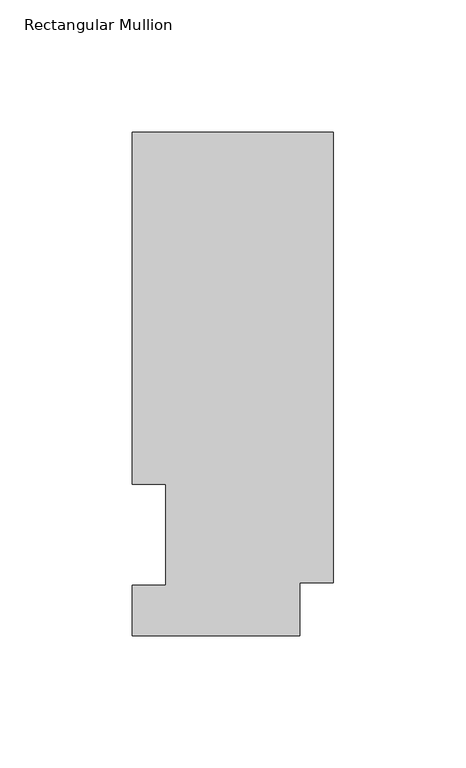
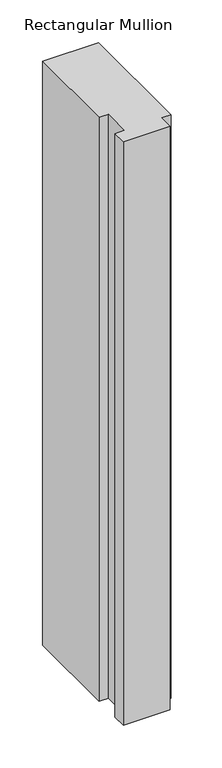
"""IFC4 building model written with IfcOpenShell, lengths in millimetres: member geometry, Rectangular Mullion."""

from ifc_helpers import new_model, si_unit, frame, origin, place, context, project, spatial, polyline, outline, extrude, source, transform, mapped, element, save


def rectangular_mullion_4acb559b(model_context):
    return source(origin(), model_context, "Body", "SweptSolid", [
        extrude(outline(polyline([(-76.2, 190.5000001), (0.0, 190.5000001), (0.0, 19.9644001), (-12.6999995, 19.9644001), (-12.6999995, -0.0137626), (-76.1999995, -0.0137626), (-76.1999995, 19.0500001), (-63.5000001, 19.0500001), (-63.5000001, 57.15), (-76.2, 57.15), (-76.2, 190.5000001)])), frame((0.0, 0.0, -838.2), z_axis=(0.0, 0.0, 1.0), x_axis=(1.0, 0.0, 0.0)), (0.0, 0.0, 1.0), 838.2),
    ])


if __name__ == "__main__":
    model = new_model("IFC4")
    model_context = context("Model", 3, world=origin())
    ifc_project = project(units=[si_unit("LENGTHUNIT", "METRE", prefix="MILLI")], contexts=[model_context])
    site = spatial("IfcSite", under=ifc_project)
    building = spatial("IfcBuilding", under=site)
    placement = place(None, origin())
    rectangular_mullion_shape = rectangular_mullion_4acb559b(model_context)
    element("IfcMember", 1, ObjectType="Rectangular Mullion", at=placement, inside=building, context=model_context, shape_type="MappedRepresentation", body=[
        mapped(rectangular_mullion_shape, transform((0.0, 0.0, 0.0), x_axis=(1.0, 0.0, 0.0), y_axis=(0.0, 1.0, 0.0), z_axis=(0.0, 0.0, 1.0))),
    ])
    save(model, "model.ifc")
